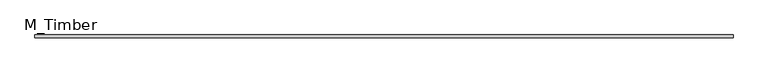
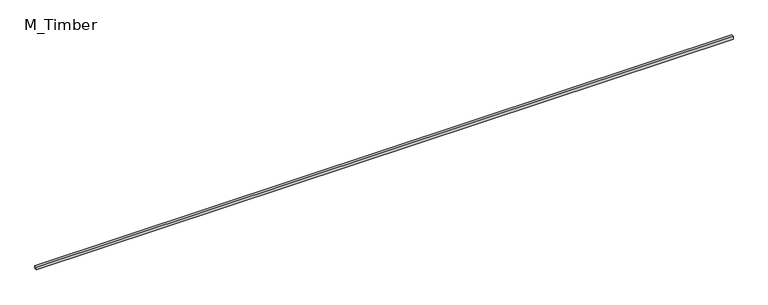
"""IFC4 building model written with IfcOpenShell, lengths in millimetres: beam geometry, M_Timber."""

from ifc_helpers import new_model, si_unit, frame, origin, place, context, project, spatial, polyline, outline, extrude, source, transform, mapped, element, save


def m_timber_7efe9628(model_context):
    return source(origin(), model_context, "Body", "SweptSolid", [
        extrude(outline(polyline([(5125.4595535, 20.0), (5125.4595535, -20.0), (-5019.1373968, -20.0), (-5019.1373968, 20.0), (5125.4595535, 20.0)])), frame((0.0, 0.0, -20.0), z_axis=(0.0, 0.0, 1.0), x_axis=(1.0, 0.0, 0.0)), (0.0, 0.0, 1.0), 40.0),
    ])


if __name__ == "__main__":
    model = new_model("IFC4")
    model_context = context("Model", 3, world=origin())
    ifc_project = project(units=[si_unit("LENGTHUNIT", "METRE", prefix="MILLI")], contexts=[model_context])
    site = spatial("IfcSite", under=ifc_project)
    building = spatial("IfcBuilding", under=site)
    placement = place(None, origin())
    m_timber_shape = m_timber_7efe9628(model_context)
    element("IfcBeam", 1, ObjectType="M_Timber", at=placement, inside=building, context=model_context, shape_type="MappedRepresentation", body=[
        mapped(m_timber_shape, transform((0.0, 0.0, 0.0), x_axis=(1.0, 0.0, 0.0), y_axis=(0.0, 1.0, 0.0), z_axis=(0.0, 0.0, 1.0))),
    ])
    save(model, "model.ifc")
